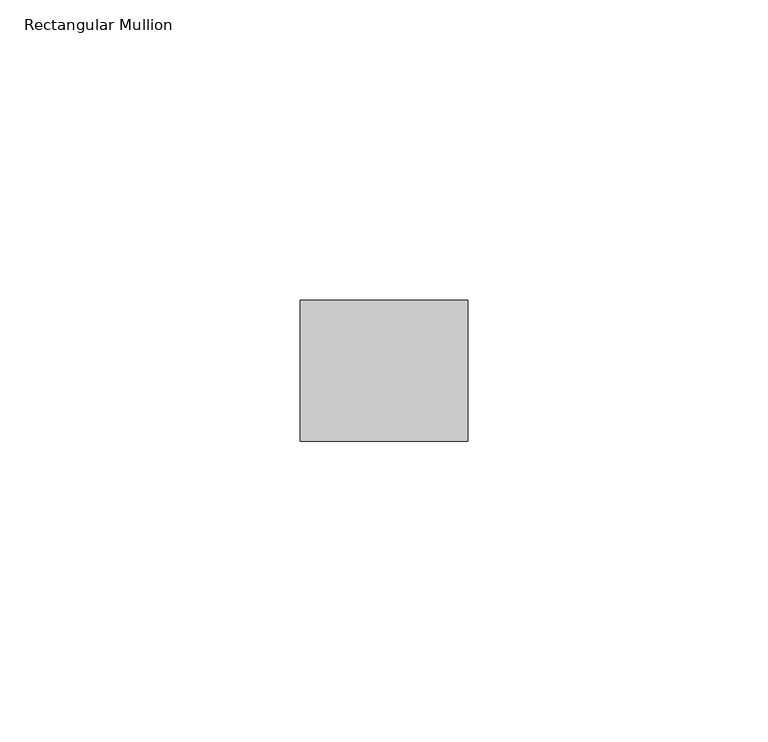
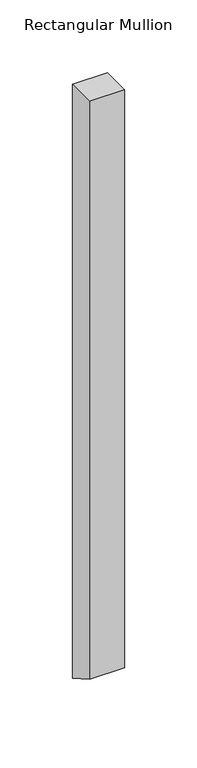
"""IFC4 building model written with IfcOpenShell, lengths in millimetres: member geometry, Rectangular Mullion."""

from ifc_helpers import new_model, si_unit, frame, origin, place, context, project, spatial, polyline, outline, extrude, source, transform, mapped, element, save


def rectangular_mullion_f719491a(model_context):
    return source(origin(), model_context, "Body", "SweptSolid", [
        extrude(outline(polyline([(-11.7474999, 0.0), (11.7474999, 0.0), (11.7474999, -499.3953171), (-11.7474999, -485.8304726), (-11.7474999, 0.0)])), frame((-27.94, 0.0, 0.0), z_axis=(1.0, 0.0, 0.0), x_axis=(0.0, 1.0, 0.0)), (0.0, 0.0, 1.0), 27.94),
    ])


if __name__ == "__main__":
    model = new_model("IFC4")
    model_context = context("Model", 3, world=origin())
    ifc_project = project(units=[si_unit("LENGTHUNIT", "METRE", prefix="MILLI")], contexts=[model_context])
    site = spatial("IfcSite", under=ifc_project)
    building = spatial("IfcBuilding", under=site)
    placement = place(None, origin())
    rectangular_mullion_shape = rectangular_mullion_f719491a(model_context)
    element("IfcMember", 1, ObjectType="Rectangular Mullion", at=placement, inside=building, context=model_context, shape_type="MappedRepresentation", body=[
        mapped(rectangular_mullion_shape, transform((0.0, 0.0, 0.0), x_axis=(1.0, 0.0, 0.0), y_axis=(0.0, 1.0, 0.0), z_axis=(0.0, 0.0, 1.0))),
    ])
    save(model, "model.ifc")
